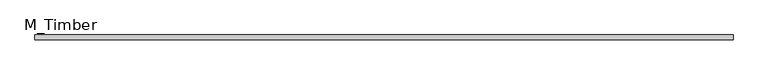
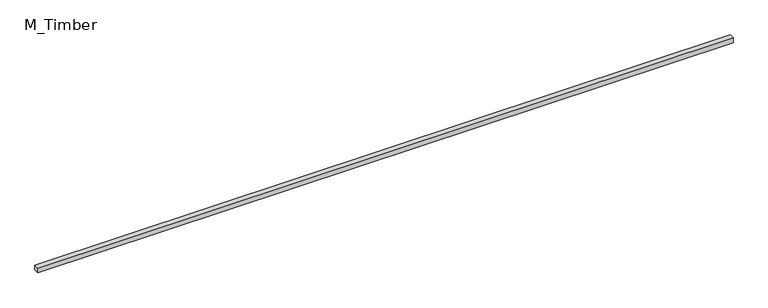
"""IFC4 building model written with IfcOpenShell, lengths in millimetres: beam geometry, M_Timber."""

from ifc_helpers import new_model, si_unit, frame, origin, place, context, project, spatial, polyline, outline, extrude, source, transform, mapped, element, save


def m_timber_28839016(model_context):
    return source(origin(), model_context, "Body", "SweptSolid", [
        extrude(outline(polyline([(2761.5891319, 20.0), (2761.5891319, -20.0), (-2761.5891319, -20.0), (-2761.5891319, 20.0), (2761.5891319, 20.0)])), frame((0.0, 0.0, -20.0), z_axis=(0.0, 0.0, 1.0), x_axis=(1.0, 0.0, 0.0)), (0.0, 0.0, 1.0), 40.0),
    ])


if __name__ == "__main__":
    model = new_model("IFC4")
    model_context = context("Model", 3, world=origin())
    ifc_project = project(units=[si_unit("LENGTHUNIT", "METRE", prefix="MILLI")], contexts=[model_context])
    site = spatial("IfcSite", under=ifc_project)
    building = spatial("IfcBuilding", under=site)
    placement = place(None, origin())
    m_timber_shape = m_timber_28839016(model_context)
    element("IfcBeam", 1, ObjectType="M_Timber", at=placement, inside=building, context=model_context, shape_type="MappedRepresentation", body=[
        mapped(m_timber_shape, transform((0.0, 0.0, 0.0), x_axis=(1.0, 0.0, 0.0), y_axis=(0.0, 1.0, 0.0), z_axis=(0.0, 0.0, 1.0))),
    ])
    save(model, "model.ifc")
